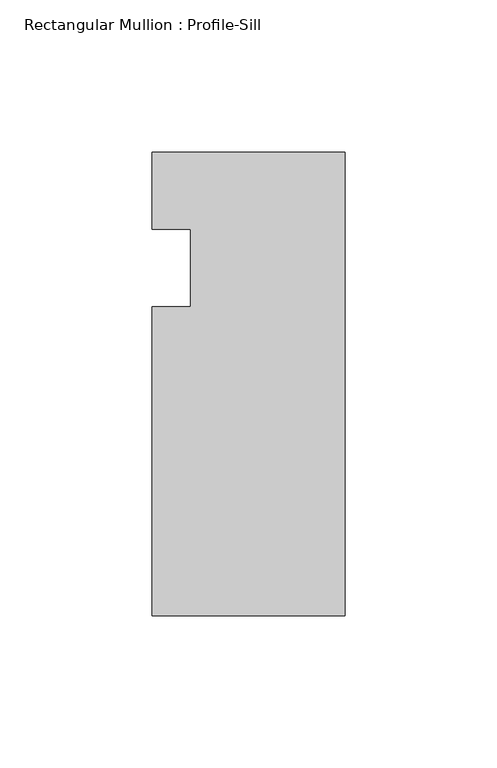
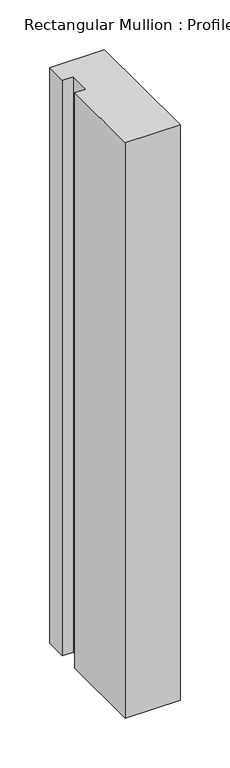
"""IFC4 building model written with IfcOpenShell, lengths in millimetres: member geometry, Rectangular Mullion : Profile-Sill."""

from ifc_helpers import new_model, si_unit, frame, origin, place, context, project, spatial, polyline, outline, extrude, source, transform, mapped, element, save


def rectangular_mullion_profile_sill_63a791cc(model_context):
    return source(origin(), model_context, "Body", "SweptSolid", [
        extrude(outline(polyline([(-63.5, 38.1), (0.0, 38.1), (0.0, -114.3), (-63.5, -114.3), (-63.5, -12.7), (-50.8, -12.7), (-50.8, 12.7), (-63.5, 12.7), (-63.5, 38.1)])), frame((0.0, 0.0, -706.8411384), z_axis=(0.0, 0.0, 1.0), x_axis=(1.0, 0.0, 0.0)), (0.0, 0.0, 1.0), 706.8411384),
    ])


if __name__ == "__main__":
    model = new_model("IFC4")
    model_context = context("Model", 3, world=origin())
    ifc_project = project(units=[si_unit("LENGTHUNIT", "METRE", prefix="MILLI")], contexts=[model_context])
    site = spatial("IfcSite", under=ifc_project)
    building = spatial("IfcBuilding", under=site)
    placement = place(None, origin())
    rectangular_mullion_profile_sill_shape = rectangular_mullion_profile_sill_63a791cc(model_context)
    element("IfcMember", 1, ObjectType="Rectangular Mullion : Profile-Sill", at=placement, inside=building, context=model_context, shape_type="MappedRepresentation", body=[
        mapped(rectangular_mullion_profile_sill_shape, transform((0.0, 0.0, 0.0), x_axis=(1.0, 0.0, 0.0), y_axis=(0.0, 1.0, 0.0), z_axis=(0.0, 0.0, 1.0))),
    ])
    save(model, "model.ifc")
